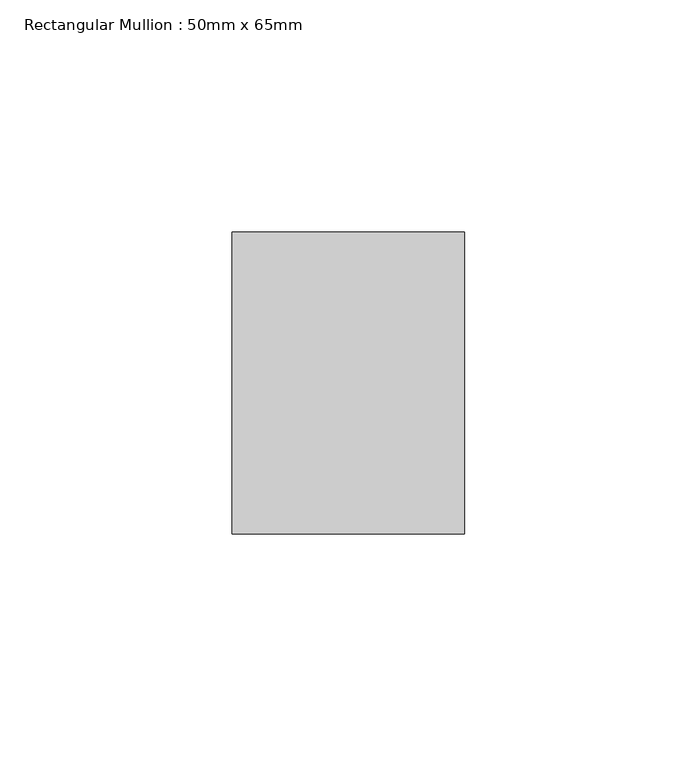
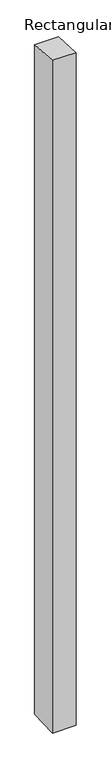
"""IFC4 building model written with IfcOpenShell, lengths in millimetres: member geometry, Rectangular Mullion : 50mm x 65mm."""

from ifc_helpers import new_model, si_unit, frame, origin, place, context, project, spatial, polyline, outline, extrude, source, transform, mapped, element, save


def rectangular_mullion_50mm_x_65mm_c469ebf3(model_context):
    return source(origin(), model_context, "Body", "SweptSolid", [
        extrude(outline(polyline([(-32.5, 2.1659774), (32.5, -2.1659776), (32.5, -1498.7588418), (-32.5, -1501.2410242), (-32.5, 2.1659774)])), frame((-25.0, 0.0, 0.0), z_axis=(1.0, 0.0, 0.0), x_axis=(0.0, 1.0, 0.0)), (0.0, 0.0, 1.0), 50.0),
    ])


if __name__ == "__main__":
    model = new_model("IFC4")
    model_context = context("Model", 3, world=origin())
    ifc_project = project(units=[si_unit("LENGTHUNIT", "METRE", prefix="MILLI")], contexts=[model_context])
    site = spatial("IfcSite", under=ifc_project)
    building = spatial("IfcBuilding", under=site)
    placement = place(None, origin())
    rectangular_mullion_50mm_x_65mm_shape = rectangular_mullion_50mm_x_65mm_c469ebf3(model_context)
    element("IfcMember", 1, ObjectType="Rectangular Mullion : 50mm x 65mm", at=placement, inside=building, context=model_context, shape_type="MappedRepresentation", body=[
        mapped(rectangular_mullion_50mm_x_65mm_shape, transform((0.0, 0.0, 0.0), x_axis=(1.0, 0.0, 0.0), y_axis=(0.0, 1.0, 0.0), z_axis=(0.0, 0.0, 1.0))),
    ])
    save(model, "model.ifc")
